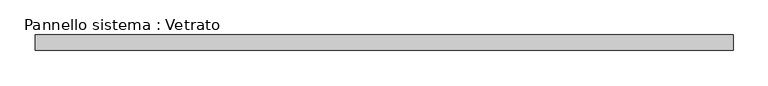
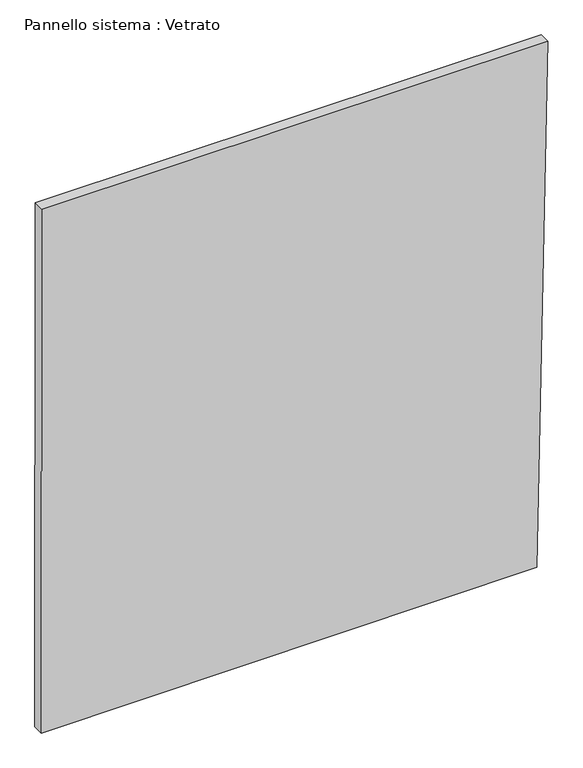
"""IFC4 building model written with IfcOpenShell, lengths in millimetres: plate geometry, Pannello sistema : Vetrato."""

from ifc_helpers import new_model, si_unit, frame, origin, place, context, project, spatial, polyline, outline, extrude, source, transform, mapped, element, save


def pannello_sistema_vetrato_d6c35d16(model_context):
    return source(origin(), model_context, "Body", "SweptSolid", [
        extrude(outline(polyline([(0.0, -673.2212537), (4.9602711, 643.8670434), (1472.8254036, 673.2212537), (1472.8254045, -672.819246), (0.0, -673.2212537)])), frame((0.0, -15.0, 0.0), z_axis=(0.0, 1.0, 0.0), x_axis=(0.0, 0.0, 1.0)), (0.0, 0.0, 1.0), 30.0),
    ])


if __name__ == "__main__":
    model = new_model("IFC4")
    model_context = context("Model", 3, world=origin())
    ifc_project = project(units=[si_unit("LENGTHUNIT", "METRE", prefix="MILLI")], contexts=[model_context])
    site = spatial("IfcSite", under=ifc_project)
    building = spatial("IfcBuilding", under=site)
    placement = place(None, origin())
    pannello_sistema_vetrato_shape = pannello_sistema_vetrato_d6c35d16(model_context)
    element("IfcPlate", 1, ObjectType="Pannello sistema : Vetrato", at=placement, inside=building, context=model_context, shape_type="MappedRepresentation", body=[
        mapped(pannello_sistema_vetrato_shape, transform((0.0, 0.0, 0.0), x_axis=(1.0, 0.0, 0.0), y_axis=(0.0, 1.0, 0.0), z_axis=(0.0, 0.0, 1.0))),
    ])
    save(model, "model.ifc")
